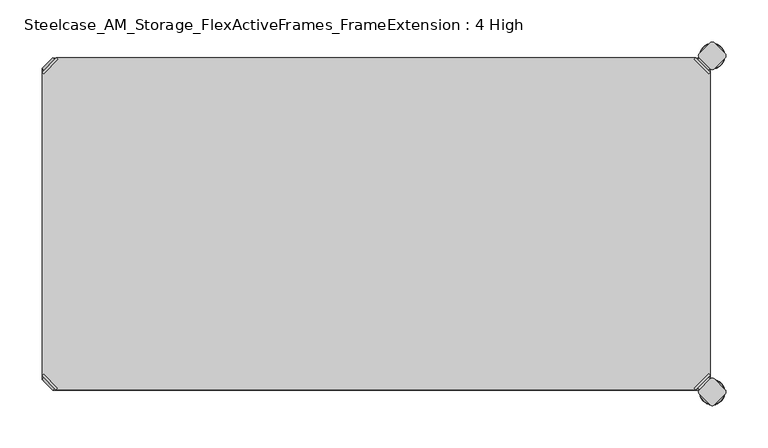
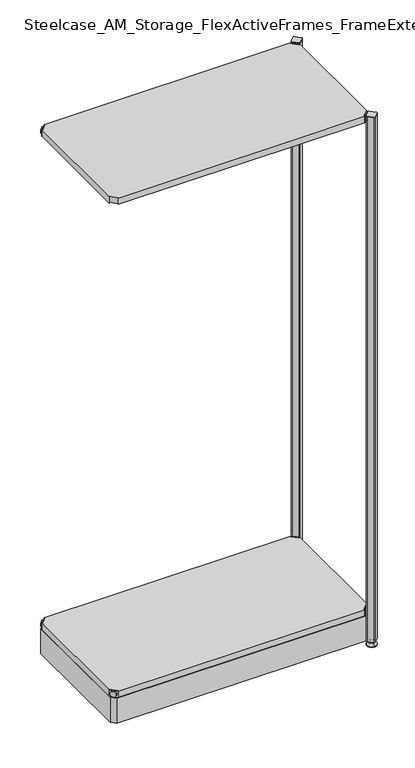
"""IFC4 building model written with IfcOpenShell, lengths in millimetres: furniture geometry, Steelcase_AM_Storage_FlexActiveFrames_FrameExtension : 4 High."""

from ifc_helpers import new_model, si_unit, point, frame, frame_2d, origin, place, context, project, spatial, polyline, circle_curve, ellipse_curve, trimmed, segment, composite_curve, outline, extrude, source, transform, mapped, element, save
from ifc_brep_helpers import plane_surface, cylinder_surface, revolved_surface, advanced_brep


def steelcase_am_storage_flexactiveframes_frameextension_4_high_b6f15f7e(model_context):
    return source(origin(), model_context, "Body", "SolidModel", [
        advanced_brep(
        [(797.56, -380.2870969, 1725.93), (795.7639488, -378.4910456, 1725.93), (778.5410456, -395.7139488, 1725.93), (780.3370969, -397.51, 1725.93), (780.3370969, -397.51, 1704.594), (797.56, -380.2870969, 1704.594), (795.2347277, -382.6123691, 1715.77), (782.6623691, -395.1847277, 1715.77), (769.8079478, -352.5350447, 1705.61), (752.5850447, -369.7579478, 1705.61), (778.5410456, -395.7139488, 1705.61), (795.7639488, -378.4910456, 1705.61), (769.8079478, -352.5350447, 1704.594), (752.5850447, -369.7579478, 1704.594), (784.9772487, -397.4996073, 1715.77), (797.5496073, -384.9272487, 1715.77)],
        [
            (0, 1),
            (1, 2),
            (2, 3),
            (3, 0),
            (3, 4),
            (4, 5),
            (5, 0),
            (6, 7, circle_curve(frame((788.9485484, -388.8985484, 1715.77), z_axis=(-0.7071067811865446, 0.7071067811865505, 0.0), x_axis=(0.7071067811865505, 0.7071067811865446, 0.0)), 8.89)),
            (7, 6, circle_curve(frame((788.9485484, -388.8985484, 1715.77), z_axis=(-0.7071067811865446, 0.7071067811865505, 0.0), x_axis=(0.7071067811865505, 0.7071067811865446, 0.0)), 8.89)),
            (8, 9, circle_curve(frame((761.1964963, -361.1464963, 1705.61), z_axis=(0.0, 0.0, 1.0), x_axis=(-1.0, 0.0, 0.0)), 12.1784316)),
            (9, 10),
            (10, 11),
            (11, 8),
            (12, 5),
            (4, 13),
            (13, 12, circle_curve(frame((761.1964963, -361.1464963, 1704.594), z_axis=(0.0, 0.0, -1.0), x_axis=(-1.0, 0.0, 0.0)), 12.1784316)),
            (14, 15, circle_curve(frame((791.263428, -391.213428, 1715.77), z_axis=(0.7071067811865446, -0.7071067811865505, 0.0), x_axis=(0.7071067811865505, 0.7071067811865446, 0.0)), 8.89)),
            (15, 14, circle_curve(frame((791.263428, -391.213428, 1715.77), z_axis=(0.7071067811865446, -0.7071067811865505, 0.0), x_axis=(0.7071067811865505, 0.7071067811865446, 0.0)), 8.89)),
            (14, 7),
            (6, 15),
            (1, 11),
            (10, 2),
            (8, 12),
            (13, 9),
        ],
        [
            plane_surface(frame((819.7579872, -402.485084, 1725.93), z_axis=(0.0, 0.0, 1.0000000000000002), x_axis=(-0.7071067811865436, 0.7071067811865516, 0.0))),
            plane_surface(frame((780.3370969, -397.51, 1725.93), z_axis=(0.7071067811865447, -0.7071067811865503, 0.0), x_axis=(0.0, 0.0, -1.0))),
            plane_surface(frame((749.0180647, -361.1464963, 1705.61), z_axis=(0.0, 0.0, 1.0), x_axis=(0.0, -1.0, 0.0))),
            plane_surface(frame((749.0180647, -361.1464963, 1704.594), z_axis=(0.0, 0.0, -1.0), x_axis=(0.0, 1.0, 0.0))),
            plane_surface(frame((797.5496073, -384.9272487, 1715.77), z_axis=(0.7071067811865446, -0.7071067811865505, 0.0), x_axis=(0.0, 0.0, 1.0))),
            cylinder_surface(frame((788.9485484, -388.8985484, 1715.77), z_axis=(0.7071067811865446, -0.7071067811865505, 0.0), x_axis=(0.7071067811865505, 0.7071067811865446, 0.0)), 8.89),
            plane_surface(frame((795.7639488, -378.4910456, 1725.93), z_axis=(-0.7071067811865447, 0.7071067811865503, 0.0), x_axis=(0.0, 0.0, -1.0))),
            cylinder_surface(frame((761.1964963, -361.1464963, 1704.594), z_axis=(0.0, 0.0, 1.0), x_axis=(-1.0, 0.0, 0.0)), 12.1784316),
            plane_surface(frame((797.56, -380.2870969, 1725.93), z_axis=(0.7071067811865516, 0.7071067811865436, 0.0), x_axis=(0.0, 0.0, -1.0))),
            plane_surface(frame((778.5410456, -395.7139488, 1725.93), z_axis=(-0.7071067811865513, -0.7071067811865437, 0.0), x_axis=(0.0, 0.0, -1.0))),
        ],
        [
            (0, [[1, 2, 3, 4]]),
            (1, [[-4, 5, 6, 7], [8, 9]]),
            (2, [[10, 11, 12, 13]]),
            (3, [[14, -6, 15, 16]]),
            (4, [[17, 18]]),
            (5, [[-17, 19, -8, 20]]),
            (5, [[-18, -20, -9, -19]]),
            (6, [[-2, 21, -12, 22]]),
            (7, [[-10, 23, -16, 24]]),
            (8, [[-1, -7, -14, -23, -13, -21]]),
            (9, [[-3, -22, -11, -24, -15, -5]]),
        ],
    ),
        advanced_brep(
        [(797.56, -19.7629031, 1725.93), (780.3370969, -2.54, 1725.93), (778.5410456, -4.3360512, 1725.93), (795.7639488, -21.5589544, 1725.93), (797.56, -19.7629031, 1704.594), (780.3370969, -2.54, 1704.594), (795.2347277, -17.4376309, 1715.77), (782.6623691, -4.8652723, 1715.77), (769.8079478, -47.5149553, 1705.61), (795.7639488, -21.5589544, 1705.61), (778.5410456, -4.3360512, 1705.61), (752.5850447, -30.2920522, 1705.61), (769.8079478, -47.5149553, 1704.594), (752.5850447, -30.2920522, 1704.594), (784.9772487, -2.5503927, 1715.77), (797.5496073, -15.1227513, 1715.77)],
        [
            (0, 1),
            (1, 2),
            (2, 3),
            (3, 0),
            (0, 4),
            (4, 5),
            (5, 1),
            (6, 7, circle_curve(frame((788.9485484, -11.1514516, 1715.77), z_axis=(-0.7071067811865469, -0.7071067811865481, 0.0), x_axis=(0.7071067811865481, -0.7071067811865469, 0.0)), 8.89)),
            (7, 6, circle_curve(frame((788.9485484, -11.1514516, 1715.77), z_axis=(-0.7071067811865469, -0.7071067811865481, 0.0), x_axis=(0.7071067811865481, -0.7071067811865469, 0.0)), 8.89)),
            (8, 9),
            (9, 10),
            (10, 11),
            (11, 8, circle_curve(frame((761.1964963, -38.9035037, 1705.61), z_axis=(0.0, 0.0, 1.0), x_axis=(-1.0, 0.0, 0.0)), 12.1784316)),
            (12, 13, circle_curve(frame((761.1964963, -38.9035037, 1704.594), z_axis=(0.0, 0.0, -1.0), x_axis=(-1.0, 0.0, 0.0)), 12.1784316)),
            (13, 5),
            (4, 12),
            (14, 15, circle_curve(frame((791.263428, -8.836572, 1715.77), z_axis=(0.7071067811865469, 0.7071067811865481, 0.0), x_axis=(0.7071067811865481, -0.7071067811865469, 0.0)), 8.89)),
            (15, 14, circle_curve(frame((791.263428, -8.836572, 1715.77), z_axis=(0.7071067811865469, 0.7071067811865481, 0.0), x_axis=(0.7071067811865481, -0.7071067811865469, 0.0)), 8.89)),
            (15, 6),
            (7, 14),
            (2, 10),
            (9, 3),
            (11, 13),
            (12, 8),
        ],
        [
            plane_surface(frame((819.7579872, 2.435084, 1725.93), z_axis=(0.0, 0.0, 1.0000000000000002), x_axis=(-0.7071067811865459, -0.7071067811865492, 0.0))),
            plane_surface(frame((780.3370969, -2.54, 1725.93), z_axis=(0.707106781186547, 0.707106781186548, 0.0), x_axis=(0.0, 0.0, -1.0))),
            plane_surface(frame((749.0180647, -38.9035037, 1705.61), z_axis=(0.0, 0.0, 1.0), x_axis=(0.0, 1.0, 0.0))),
            plane_surface(frame((749.0180647, -38.9035037, 1704.594), z_axis=(0.0, 0.0, -1.0), x_axis=(0.0, -1.0, 0.0))),
            plane_surface(frame((797.5496073, -15.1227513, 1715.77), z_axis=(0.7071067811865469, 0.7071067811865481, 0.0), x_axis=(0.0, 0.0, 1.0))),
            cylinder_surface(frame((788.9485484, -11.1514516, 1715.77), z_axis=(0.7071067811865469, 0.7071067811865481, 0.0), x_axis=(0.7071067811865481, -0.7071067811865469, 0.0)), 8.89),
            plane_surface(frame((795.7639488, -21.5589544, 1725.93), z_axis=(-0.707106781186547, -0.707106781186548, 0.0), x_axis=(0.0, 0.0, -1.0))),
            cylinder_surface(frame((761.1964963, -38.9035037, 1704.594), z_axis=(0.0, 0.0, 1.0), x_axis=(-1.0, 0.0, 0.0)), 12.1784316),
            plane_surface(frame((797.56, -19.7629031, 1725.93), z_axis=(0.7071067811865492, -0.7071067811865459, 0.0), x_axis=(0.0, 0.0, -1.0))),
            plane_surface(frame((778.5410456, -4.3360512, 1725.93), z_axis=(-0.707106781186549, 0.707106781186546, 0.0), x_axis=(0.0, 0.0, -1.0))),
        ],
        [
            (0, [[1, 2, 3, 4]]),
            (1, [[5, 6, 7, -1], [8, 9]]),
            (2, [[10, 11, 12, 13]]),
            (3, [[14, 15, -6, 16]]),
            (4, [[17, 18]]),
            (5, [[19, -9, 20, -18]]),
            (5, [[-20, -8, -19, -17]]),
            (6, [[21, -11, 22, -3]]),
            (7, [[23, -14, 24, -13]]),
            (8, [[-22, -10, -24, -16, -5, -4]]),
            (9, [[-7, -15, -23, -12, -21, -2]]),
        ],
    ),
        advanced_brep(
        [(2.54, -19.7629031, 1725.93), (4.3360512, -21.5589544, 1725.93), (21.5589544, -4.3360512, 1725.93), (19.7629031, -2.54, 1725.93), (19.7629031, -2.54, 1704.594), (2.54, -19.7629031, 1704.594), (4.8652723, -17.4376309, 1715.77), (17.4376309, -4.8652723, 1715.77), (30.2920522, -47.5149553, 1705.61), (47.5149553, -30.2920522, 1705.61), (21.5589544, -4.3360512, 1705.61), (4.3360512, -21.5589544, 1705.61), (30.2920522, -47.5149553, 1704.594), (47.5149553, -30.2920522, 1704.594), (15.1227513, -2.5503927, 1715.77), (2.5503927, -15.1227513, 1715.77)],
        [
            (0, 1),
            (1, 2),
            (2, 3),
            (3, 0),
            (3, 4),
            (4, 5),
            (5, 0),
            (6, 7, circle_curve(frame((11.1514516, -11.1514516, 1715.77), z_axis=(0.7071067811865469, -0.7071067811865481, 0.0), x_axis=(-0.7071067811865481, -0.7071067811865469, 0.0)), 8.89)),
            (7, 6, circle_curve(frame((11.1514516, -11.1514516, 1715.77), z_axis=(0.7071067811865469, -0.7071067811865481, 0.0), x_axis=(-0.7071067811865481, -0.7071067811865469, 0.0)), 8.89)),
            (8, 9, circle_curve(frame((38.9035037, -38.9035037, 1705.61), z_axis=(0.0, 0.0, 1.0), x_axis=(1.0, 0.0, 0.0)), 12.1784316)),
            (9, 10),
            (10, 11),
            (11, 8),
            (12, 5),
            (4, 13),
            (13, 12, circle_curve(frame((38.9035037, -38.9035037, 1704.594), z_axis=(0.0, 0.0, -1.0), x_axis=(1.0, 0.0, 0.0)), 12.1784316)),
            (14, 15, circle_curve(frame((8.836572, -8.836572, 1715.77), z_axis=(-0.7071067811865469, 0.7071067811865481, 0.0), x_axis=(-0.7071067811865481, -0.7071067811865469, 0.0)), 8.89)),
            (15, 14, circle_curve(frame((8.836572, -8.836572, 1715.77), z_axis=(-0.7071067811865469, 0.7071067811865481, 0.0), x_axis=(-0.7071067811865481, -0.7071067811865469, 0.0)), 8.89)),
            (14, 7),
            (6, 15),
            (1, 11),
            (10, 2),
            (8, 12),
            (13, 9),
        ],
        [
            plane_surface(frame((-19.6579872, 2.435084, 1725.93), z_axis=(0.0, 0.0, 1.0000000000000002), x_axis=(0.7071067811865459, -0.7071067811865492, 0.0))),
            plane_surface(frame((19.7629031, -2.54, 1725.93), z_axis=(-0.707106781186547, 0.707106781186548, 0.0), x_axis=(0.0, 0.0, -1.0))),
            plane_surface(frame((51.0819353, -38.9035037, 1705.61), z_axis=(0.0, 0.0, 1.0), x_axis=(0.0, 1.0, 0.0))),
            plane_surface(frame((51.0819353, -38.9035037, 1704.594), z_axis=(0.0, 0.0, -1.0), x_axis=(0.0, -1.0, 0.0))),
            plane_surface(frame((2.5503927, -15.1227513, 1715.77), z_axis=(-0.7071067811865469, 0.7071067811865481, 0.0), x_axis=(0.0, 0.0, 1.0))),
            cylinder_surface(frame((11.1514516, -11.1514516, 1715.77), z_axis=(-0.7071067811865469, 0.7071067811865481, 0.0), x_axis=(-0.7071067811865481, -0.7071067811865469, 0.0)), 8.89),
            plane_surface(frame((4.3360512, -21.5589544, 1725.93), z_axis=(0.707106781186547, -0.707106781186548, 0.0), x_axis=(0.0, 0.0, -1.0))),
            cylinder_surface(frame((38.9035037, -38.9035037, 1704.594), z_axis=(0.0, 0.0, 1.0), x_axis=(1.0, 0.0, 0.0)), 12.1784316),
            plane_surface(frame((2.54, -19.7629031, 1725.93), z_axis=(-0.7071067811865492, -0.7071067811865459, 0.0), x_axis=(0.0, 0.0, -1.0))),
            plane_surface(frame((21.5589544, -4.3360512, 1725.93), z_axis=(0.707106781186549, 0.707106781186546, 0.0), x_axis=(0.0, 0.0, -1.0))),
        ],
        [
            (0, [[1, 2, 3, 4]]),
            (1, [[-4, 5, 6, 7], [8, 9]]),
            (2, [[10, 11, 12, 13]]),
            (3, [[14, -6, 15, 16]]),
            (4, [[17, 18]]),
            (5, [[-17, 19, -8, 20]]),
            (5, [[-18, -20, -9, -19]]),
            (6, [[-2, 21, -12, 22]]),
            (7, [[-10, 23, -16, 24]]),
            (8, [[-1, -7, -14, -23, -13, -21]]),
            (9, [[-3, -22, -11, -24, -15, -5]]),
        ],
    ),
        extrude(outline(polyline([(19.7629031, -2.54), (780.3370969, -2.54), (778.5410456, -4.3360512), (795.7639488, -21.5589544), (797.56, -19.7629031), (797.56, -380.2870969), (795.7639488, -378.4910456), (778.5410456, -395.7139488), (780.3370969, -397.51), (19.7629031, -397.51), (21.5589544, -395.7139488), (4.3360512, -378.4910456), (2.54, -380.2870969), (2.54, -19.7629031), (4.3360512, -21.5589544), (21.5589544, -4.3360512), (19.7629031, -2.54)])), frame((0.0, 0.0, 1705.61), z_axis=(0.0, 0.0, 1.0), x_axis=(1.0, 0.0, 0.0)), (0.0, 0.0, 1.0), 20.32),
        advanced_brep(
        [(2.54, -380.2870969, 118.9736), (19.7629031, -397.51, 118.9736), (21.5589544, -395.7139488, 118.9736), (4.3360512, -378.4910456, 118.9736), (2.54, -380.2870969, 97.6376), (19.7629031, -397.51, 97.6376), (4.8652723, -382.6123691, 108.8136), (17.4376309, -395.1847277, 108.8136), (30.2920522, -352.5350447, 98.6536), (4.3360512, -378.4910456, 98.6536), (21.5589544, -395.7139488, 98.6536), (47.5149553, -369.7579478, 98.6536), (30.2920522, -352.5350447, 97.6376), (47.5149553, -369.7579478, 97.6376), (15.1227513, -397.4996073, 108.8136), (2.5503927, -384.9272487, 108.8136)],
        [
            (0, 1),
            (1, 2),
            (2, 3),
            (3, 0),
            (0, 4),
            (4, 5),
            (5, 1),
            (6, 7, circle_curve(frame((11.1514516, -388.8985484, 108.8136), z_axis=(0.7071067811865446, 0.7071067811865505, 0.0), x_axis=(-0.7071067811865505, 0.7071067811865446, 0.0)), 8.89)),
            (7, 6, circle_curve(frame((11.1514516, -388.8985484, 108.8136), z_axis=(0.7071067811865446, 0.7071067811865505, 0.0), x_axis=(-0.7071067811865505, 0.7071067811865446, 0.0)), 8.89)),
            (8, 9),
            (9, 10),
            (10, 11),
            (11, 8, circle_curve(frame((38.9035037, -361.1464963, 98.6536), z_axis=(0.0, 0.0, 1.0), x_axis=(1.0, 0.0, 0.0)), 12.1784316)),
            (12, 13, circle_curve(frame((38.9035037, -361.1464963, 97.6376), z_axis=(0.0, 0.0, -1.0), x_axis=(1.0, 0.0, 0.0)), 12.1784316)),
            (13, 5),
            (4, 12),
            (14, 15, circle_curve(frame((8.836572, -391.213428, 108.8136), z_axis=(-0.7071067811865446, -0.7071067811865505, 0.0), x_axis=(-0.7071067811865505, 0.7071067811865446, 0.0)), 8.89)),
            (15, 14, circle_curve(frame((8.836572, -391.213428, 108.8136), z_axis=(-0.7071067811865446, -0.7071067811865505, 0.0), x_axis=(-0.7071067811865505, 0.7071067811865446, 0.0)), 8.89)),
            (15, 6),
            (7, 14),
            (2, 10),
            (9, 3),
            (11, 13),
            (12, 8),
        ],
        [
            plane_surface(frame((-19.6579872, -402.485084, 118.9736), z_axis=(0.0, 0.0, 1.0000000000000002), x_axis=(0.7071067811865436, 0.7071067811865516, 0.0))),
            plane_surface(frame((19.7629031, -397.51, 118.9736), z_axis=(-0.7071067811865447, -0.7071067811865503, 0.0), x_axis=(0.0, 0.0, -1.0))),
            plane_surface(frame((51.0819353, -361.1464963, 98.6536), z_axis=(0.0, 0.0, 1.0), x_axis=(0.0, -1.0, 0.0))),
            plane_surface(frame((51.0819353, -361.1464963, 97.6376), z_axis=(0.0, 0.0, -1.0), x_axis=(0.0, 1.0, 0.0))),
            plane_surface(frame((2.5503927, -384.9272487, 108.8136), z_axis=(-0.7071067811865446, -0.7071067811865505, 0.0), x_axis=(0.0, 0.0, 1.0))),
            cylinder_surface(frame((11.1514516, -388.8985484, 108.8136), z_axis=(-0.7071067811865446, -0.7071067811865505, 0.0), x_axis=(-0.7071067811865505, 0.7071067811865446, 0.0)), 8.89),
            plane_surface(frame((4.3360512, -378.4910456, 118.9736), z_axis=(0.7071067811865447, 0.7071067811865503, 0.0), x_axis=(0.0, 0.0, -1.0))),
            cylinder_surface(frame((38.9035037, -361.1464963, 97.6376), z_axis=(0.0, 0.0, 1.0), x_axis=(1.0, 0.0, 0.0)), 12.1784316),
            plane_surface(frame((2.54, -380.2870969, 118.9736), z_axis=(-0.7071067811865516, 0.7071067811865436, 0.0), x_axis=(0.0, 0.0, -1.0))),
            plane_surface(frame((21.5589544, -395.7139488, 118.9736), z_axis=(0.7071067811865513, -0.7071067811865437, 0.0), x_axis=(0.0, 0.0, -1.0))),
        ],
        [
            (0, [[1, 2, 3, 4]]),
            (1, [[5, 6, 7, -1], [8, 9]]),
            (2, [[10, 11, 12, 13]]),
            (3, [[14, 15, -6, 16]]),
            (4, [[17, 18]]),
            (5, [[19, -9, 20, -18]]),
            (5, [[-20, -8, -19, -17]]),
            (6, [[21, -11, 22, -3]]),
            (7, [[23, -14, 24, -13]]),
            (8, [[-22, -10, -24, -16, -5, -4]]),
            (9, [[-7, -15, -23, -12, -21, -2]]),
        ],
    ),
        advanced_brep(
        [(797.56, -380.2870969, 118.9736), (795.7639488, -378.4910456, 118.9736), (778.5410456, -395.7139488, 118.9736), (780.3370969, -397.51, 118.9736), (780.3370969, -397.51, 97.6376), (797.56, -380.2870969, 97.6376), (795.2347277, -382.6123691, 108.8136), (782.6623691, -395.1847277, 108.8136), (769.8079478, -352.5350447, 98.6536), (752.5850447, -369.7579478, 98.6536), (778.5410456, -395.7139488, 98.6536), (795.7639488, -378.4910456, 98.6536), (769.8079478, -352.5350447, 97.6376), (752.5850447, -369.7579478, 97.6376), (784.9772487, -397.4996073, 108.8136), (797.5496073, -384.9272487, 108.8136)],
        [
            (0, 1),
            (1, 2),
            (2, 3),
            (3, 0),
            (3, 4),
            (4, 5),
            (5, 0),
            (6, 7, circle_curve(frame((788.9485484, -388.8985484, 108.8136), z_axis=(-0.7071067811865446, 0.7071067811865505, 0.0), x_axis=(0.7071067811865505, 0.7071067811865446, 0.0)), 8.89)),
            (7, 6, circle_curve(frame((788.9485484, -388.8985484, 108.8136), z_axis=(-0.7071067811865446, 0.7071067811865505, 0.0), x_axis=(0.7071067811865505, 0.7071067811865446, 0.0)), 8.89)),
            (8, 9, circle_curve(frame((761.1964963, -361.1464963, 98.6536), z_axis=(0.0, 0.0, 1.0), x_axis=(-1.0, 0.0, 0.0)), 12.1784316)),
            (9, 10),
            (10, 11),
            (11, 8),
            (12, 5),
            (4, 13),
            (13, 12, circle_curve(frame((761.1964963, -361.1464963, 97.6376), z_axis=(0.0, 0.0, -1.0), x_axis=(-1.0, 0.0, 0.0)), 12.1784316)),
            (14, 15, circle_curve(frame((791.263428, -391.213428, 108.8136), z_axis=(0.7071067811865446, -0.7071067811865505, 0.0), x_axis=(0.7071067811865505, 0.7071067811865446, 0.0)), 8.89)),
            (15, 14, circle_curve(frame((791.263428, -391.213428, 108.8136), z_axis=(0.7071067811865446, -0.7071067811865505, 0.0), x_axis=(0.7071067811865505, 0.7071067811865446, 0.0)), 8.89)),
            (14, 7),
            (6, 15),
            (1, 11),
            (10, 2),
            (8, 12),
            (13, 9),
        ],
        [
            plane_surface(frame((819.7579872, -402.485084, 118.9736), z_axis=(0.0, 0.0, 1.0000000000000002), x_axis=(-0.7071067811865436, 0.7071067811865516, 0.0))),
            plane_surface(frame((780.3370969, -397.51, 118.9736), z_axis=(0.7071067811865447, -0.7071067811865503, 0.0), x_axis=(0.0, 0.0, -1.0))),
            plane_surface(frame((749.0180647, -361.1464963, 98.6536), z_axis=(0.0, 0.0, 1.0), x_axis=(0.0, -1.0, 0.0))),
            plane_surface(frame((749.0180647, -361.1464963, 97.6376), z_axis=(0.0, 0.0, -1.0), x_axis=(0.0, 1.0, 0.0))),
            plane_surface(frame((797.5496073, -384.9272487, 108.8136), z_axis=(0.7071067811865446, -0.7071067811865505, 0.0), x_axis=(0.0, 0.0, 1.0))),
            cylinder_surface(frame((788.9485484, -388.8985484, 108.8136), z_axis=(0.7071067811865446, -0.7071067811865505, 0.0), x_axis=(0.7071067811865505, 0.7071067811865446, 0.0)), 8.89),
            plane_surface(frame((795.7639488, -378.4910456, 118.9736), z_axis=(-0.7071067811865447, 0.7071067811865503, 0.0), x_axis=(0.0, 0.0, -1.0))),
            cylinder_surface(frame((761.1964963, -361.1464963, 97.6376), z_axis=(0.0, 0.0, 1.0), x_axis=(-1.0, 0.0, 0.0)), 12.1784316),
            plane_surface(frame((797.56, -380.2870969, 118.9736), z_axis=(0.7071067811865516, 0.7071067811865436, 0.0), x_axis=(0.0, 0.0, -1.0))),
            plane_surface(frame((778.5410456, -395.7139488, 118.9736), z_axis=(-0.7071067811865513, -0.7071067811865437, 0.0), x_axis=(0.0, 0.0, -1.0))),
        ],
        [
            (0, [[1, 2, 3, 4]]),
            (1, [[-4, 5, 6, 7], [8, 9]]),
            (2, [[10, 11, 12, 13]]),
            (3, [[14, -6, 15, 16]]),
            (4, [[17, 18]]),
            (5, [[-17, 19, -8, 20]]),
            (5, [[-18, -20, -9, -19]]),
            (6, [[-2, 21, -12, 22]]),
            (7, [[-10, 23, -16, 24]]),
            (8, [[-1, -7, -14, -23, -13, -21]]),
            (9, [[-3, -22, -11, -24, -15, -5]]),
        ],
    ),
        advanced_brep(
        [(797.56, -19.7629031, 118.9736), (780.3370969, -2.54, 118.9736), (778.5410456, -4.3360512, 118.9736), (795.7639488, -21.5589544, 118.9736), (797.56, -19.7629031, 97.6376), (780.3370969, -2.54, 97.6376), (795.2347277, -17.4376309, 108.8136), (782.6623691, -4.8652723, 108.8136), (769.8079478, -47.5149553, 98.6536), (795.7639488, -21.5589544, 98.6536), (778.5410456, -4.3360512, 98.6536), (752.5850447, -30.2920522, 98.6536), (769.8079478, -47.5149553, 97.6376), (752.5850447, -30.2920522, 97.6376), (784.9772487, -2.5503927, 108.8136), (797.5496073, -15.1227513, 108.8136)],
        [
            (0, 1),
            (1, 2),
            (2, 3),
            (3, 0),
            (0, 4),
            (4, 5),
            (5, 1),
            (6, 7, circle_curve(frame((788.9485484, -11.1514516, 108.8136), z_axis=(-0.7071067811865469, -0.7071067811865481, 0.0), x_axis=(0.7071067811865481, -0.7071067811865469, 0.0)), 8.89)),
            (7, 6, circle_curve(frame((788.9485484, -11.1514516, 108.8136), z_axis=(-0.7071067811865469, -0.7071067811865481, 0.0), x_axis=(0.7071067811865481, -0.7071067811865469, 0.0)), 8.89)),
            (8, 9),
            (9, 10),
            (10, 11),
            (11, 8, circle_curve(frame((761.1964963, -38.9035037, 98.6536), z_axis=(0.0, 0.0, 1.0), x_axis=(-1.0, 0.0, 0.0)), 12.1784316)),
            (12, 13, circle_curve(frame((761.1964963, -38.9035037, 97.6376), z_axis=(0.0, 0.0, -1.0), x_axis=(-1.0, 0.0, 0.0)), 12.1784316)),
            (13, 5),
            (4, 12),
            (14, 15, circle_curve(frame((791.263428, -8.836572, 108.8136), z_axis=(0.7071067811865469, 0.7071067811865481, 0.0), x_axis=(0.7071067811865481, -0.7071067811865469, 0.0)), 8.89)),
            (15, 14, circle_curve(frame((791.263428, -8.836572, 108.8136), z_axis=(0.7071067811865469, 0.7071067811865481, 0.0), x_axis=(0.7071067811865481, -0.7071067811865469, 0.0)), 8.89)),
            (15, 6),
            (7, 14),
            (2, 10),
            (9, 3),
            (11, 13),
            (12, 8),
        ],
        [
            plane_surface(frame((819.7579872, 2.435084, 118.9736), z_axis=(0.0, 0.0, 1.0000000000000002), x_axis=(-0.7071067811865459, -0.7071067811865492, 0.0))),
            plane_surface(frame((780.3370969, -2.54, 118.9736), z_axis=(0.707106781186547, 0.707106781186548, 0.0), x_axis=(0.0, 0.0, -1.0))),
            plane_surface(frame((749.0180647, -38.9035037, 98.6536), z_axis=(0.0, 0.0, 1.0), x_axis=(0.0, 1.0, 0.0))),
            plane_surface(frame((749.0180647, -38.9035037, 97.6376), z_axis=(0.0, 0.0, -1.0), x_axis=(0.0, -1.0, 0.0))),
            plane_surface(frame((797.5496073, -15.1227513, 108.8136), z_axis=(0.7071067811865469, 0.7071067811865481, 0.0), x_axis=(0.0, 0.0, 1.0))),
            cylinder_surface(frame((788.9485484, -11.1514516, 108.8136), z_axis=(0.7071067811865469, 0.7071067811865481, 0.0), x_axis=(0.7071067811865481, -0.7071067811865469, 0.0)), 8.89),
            plane_surface(frame((795.7639488, -21.5589544, 118.9736), z_axis=(-0.707106781186547, -0.707106781186548, 0.0), x_axis=(0.0, 0.0, -1.0))),
            cylinder_surface(frame((761.1964963, -38.9035037, 97.6376), z_axis=(0.0, 0.0, 1.0), x_axis=(-1.0, 0.0, 0.0)), 12.1784316),
            plane_surface(frame((797.56, -19.7629031, 118.9736), z_axis=(0.7071067811865492, -0.7071067811865459, 0.0), x_axis=(0.0, 0.0, -1.0))),
            plane_surface(frame((778.5410456, -4.3360512, 118.9736), z_axis=(-0.707106781186549, 0.707106781186546, 0.0), x_axis=(0.0, 0.0, -1.0))),
        ],
        [
            (0, [[1, 2, 3, 4]]),
            (1, [[5, 6, 7, -1], [8, 9]]),
            (2, [[10, 11, 12, 13]]),
            (3, [[14, 15, -6, 16]]),
            (4, [[17, 18]]),
            (5, [[19, -9, 20, -18]]),
            (5, [[-20, -8, -19, -17]]),
            (6, [[21, -11, 22, -3]]),
            (7, [[23, -14, 24, -13]]),
            (8, [[-22, -10, -24, -16, -5, -4]]),
            (9, [[-7, -15, -23, -12, -21, -2]]),
        ],
    ),
        advanced_brep(
        [(2.54, -19.7629031, 118.9736), (4.3360512, -21.5589544, 118.9736), (21.5589544, -4.3360512, 118.9736), (19.7629031, -2.54, 118.9736), (19.7629031, -2.54, 97.6376), (2.54, -19.7629031, 97.6376), (4.8652723, -17.4376309, 108.8136), (17.4376309, -4.8652723, 108.8136), (30.2920522, -47.5149553, 98.6536), (47.5149553, -30.2920522, 98.6536), (21.5589544, -4.3360512, 98.6536), (4.3360512, -21.5589544, 98.6536), (30.2920522, -47.5149553, 97.6376), (47.5149553, -30.2920522, 97.6376), (15.1227513, -2.5503927, 108.8136), (2.5503927, -15.1227513, 108.8136)],
        [
            (0, 1),
            (1, 2),
            (2, 3),
            (3, 0),
            (3, 4),
            (4, 5),
            (5, 0),
            (6, 7, circle_curve(frame((11.1514516, -11.1514516, 108.8136), z_axis=(0.7071067811865469, -0.7071067811865481, 0.0), x_axis=(-0.7071067811865481, -0.7071067811865469, 0.0)), 8.89)),
            (7, 6, circle_curve(frame((11.1514516, -11.1514516, 108.8136), z_axis=(0.7071067811865469, -0.7071067811865481, 0.0), x_axis=(-0.7071067811865481, -0.7071067811865469, 0.0)), 8.89)),
            (8, 9, circle_curve(frame((38.9035037, -38.9035037, 98.6536), z_axis=(0.0, 0.0, 1.0), x_axis=(1.0, 0.0, 0.0)), 12.1784316)),
            (9, 10),
            (10, 11),
            (11, 8),
            (12, 5),
            (4, 13),
            (13, 12, circle_curve(frame((38.9035037, -38.9035037, 97.6376), z_axis=(0.0, 0.0, -1.0), x_axis=(1.0, 0.0, 0.0)), 12.1784316)),
            (14, 15, circle_curve(frame((8.836572, -8.836572, 108.8136), z_axis=(-0.7071067811865469, 0.7071067811865481, 0.0), x_axis=(-0.7071067811865481, -0.7071067811865469, 0.0)), 8.89)),
            (15, 14, circle_curve(frame((8.836572, -8.836572, 108.8136), z_axis=(-0.7071067811865469, 0.7071067811865481, 0.0), x_axis=(-0.7071067811865481, -0.7071067811865469, 0.0)), 8.89)),
            (14, 7),
            (6, 15),
            (1, 11),
            (10, 2),
            (8, 12),
            (13, 9),
        ],
        [
            plane_surface(frame((-19.6579872, 2.435084, 118.9736), z_axis=(0.0, 0.0, 1.0000000000000002), x_axis=(0.7071067811865459, -0.7071067811865492, 0.0))),
            plane_surface(frame((19.7629031, -2.54, 118.9736), z_axis=(-0.707106781186547, 0.707106781186548, 0.0), x_axis=(0.0, 0.0, -1.0))),
            plane_surface(frame((51.0819353, -38.9035037, 98.6536), z_axis=(0.0, 0.0, 1.0), x_axis=(0.0, 1.0, 0.0))),
            plane_surface(frame((51.0819353, -38.9035037, 97.6376), z_axis=(0.0, 0.0, -1.0), x_axis=(0.0, -1.0, 0.0))),
            plane_surface(frame((2.5503927, -15.1227513, 108.8136), z_axis=(-0.7071067811865469, 0.7071067811865481, 0.0), x_axis=(0.0, 0.0, 1.0))),
            cylinder_surface(frame((11.1514516, -11.1514516, 108.8136), z_axis=(-0.7071067811865469, 0.7071067811865481, 0.0), x_axis=(-0.7071067811865481, -0.7071067811865469, 0.0)), 8.89),
            plane_surface(frame((4.3360512, -21.5589544, 118.9736), z_axis=(0.707106781186547, -0.707106781186548, 0.0), x_axis=(0.0, 0.0, -1.0))),
            cylinder_surface(frame((38.9035037, -38.9035037, 97.6376), z_axis=(0.0, 0.0, 1.0), x_axis=(1.0, 0.0, 0.0)), 12.1784316),
            plane_surface(frame((2.54, -19.7629031, 118.9736), z_axis=(-0.7071067811865492, -0.7071067811865459, 0.0), x_axis=(0.0, 0.0, -1.0))),
            plane_surface(frame((21.5589544, -4.3360512, 118.9736), z_axis=(0.707106781186549, 0.707106781186546, 0.0), x_axis=(0.0, 0.0, -1.0))),
        ],
        [
            (0, [[1, 2, 3, 4]]),
            (1, [[-4, 5, 6, 7], [8, 9]]),
            (2, [[10, 11, 12, 13]]),
            (3, [[14, -6, 15, 16]]),
            (4, [[17, 18]]),
            (5, [[-17, 19, -8, 20]]),
            (5, [[-18, -20, -9, -19]]),
            (6, [[-2, 21, -12, 22]]),
            (7, [[-10, 23, -16, 24]]),
            (8, [[-1, -7, -14, -23, -13, -21]]),
            (9, [[-3, -22, -11, -24, -15, -5]]),
        ],
    ),
        extrude(outline(polyline([(19.7629031, -2.54), (780.3370969, -2.54), (778.5410456, -4.3360512), (795.7639488, -21.5589544), (797.56, -19.7629031), (797.56, -380.2870969), (795.7639488, -378.4910456), (778.5410456, -395.7139488), (780.3370969, -397.51), (19.7629031, -397.51), (21.5589544, -395.7139488), (4.3360512, -378.4910456), (2.54, -380.2870969), (2.54, -19.7629031), (4.3360512, -21.5589544), (21.5589544, -4.3360512), (19.7629031, -2.54)])), frame((0.0, 0.0, 98.6536), z_axis=(0.0, 0.0, 1.0), x_axis=(1.0, 0.0, 0.0)), (0.0, 0.0, 1.0), 20.32),
        extrude(outline(composite_curve([segment(trimmed(circle_curve(frame_2d((800.1, -13.1875415)), 3.175), [point((802.345064, -15.4326055))], [point((797.854936, -15.4326055))], False, "CARTESIAN"), True, "CONTINUOUS"), segment(polyline([(797.854936, -15.4326055), (784.6673945, -2.245064)]), True, "CONTINUOUS"), segment(trimmed(circle_curve(frame_2d((786.9124585, 0.0)), 3.175), [point((784.6673945, -2.245064))], [point((784.6673945, 2.245064))], False, "CARTESIAN"), True, "CONTINUOUS"), segment(polyline([(784.6673945, 2.245064), (797.854936, 15.4326055)]), True, "CONTINUOUS"), segment(trimmed(circle_curve(frame_2d((800.1, 13.1875415)), 3.175), [point((797.854936, 15.4326055))], [point((802.345064, 15.4326055))], False, "CARTESIAN"), True, "CONTINUOUS"), segment(polyline([(802.345064, 15.4326055), (815.5326055, 2.245064)]), True, "CONTINUOUS"), segment(trimmed(circle_curve(frame_2d((813.2875415, 0.0)), 3.175), [point((815.5326055, 2.245064))], [point((815.5326055, -2.245064))], False, "CARTESIAN"), True, "CONTINUOUS"), segment(polyline([(815.5326055, -2.245064), (802.345064, -15.4326055)]), True, "CONTINUOUS")], self_intersect=False)), frame((0.0, 0.0, 1725.93), z_axis=(0.0, 0.0, 1.0), x_axis=(1.0, 0.0, 0.0)), (0.0, 0.0, 1.0), 2.032),
        extrude(outline(composite_curve([segment(polyline([(802.345064, -384.6173945), (815.5326055, -397.804936)]), True, "CONTINUOUS"), segment(trimmed(circle_curve(frame_2d((813.2875415, -400.05)), 3.175), [point((815.5326055, -397.804936))], [point((815.5326055, -402.295064))], False, "CARTESIAN"), True, "CONTINUOUS"), segment(polyline([(815.5326055, -402.295064), (802.345064, -415.4826055)]), True, "CONTINUOUS"), segment(trimmed(circle_curve(frame_2d((800.1, -413.2375415)), 3.175), [point((802.345064, -415.4826055))], [point((797.854936, -415.4826055))], False, "CARTESIAN"), True, "CONTINUOUS"), segment(polyline([(797.854936, -415.4826055), (784.6673945, -402.295064)]), True, "CONTINUOUS"), segment(trimmed(circle_curve(frame_2d((786.9124585, -400.05)), 3.175), [point((784.6673945, -402.295064))], [point((784.6673945, -397.804936))], False, "CARTESIAN"), True, "CONTINUOUS"), segment(polyline([(784.6673945, -397.804936), (797.854936, -384.6173945)]), True, "CONTINUOUS"), segment(trimmed(circle_curve(frame_2d((800.1, -386.8624585)), 3.175), [point((797.854936, -384.6173945))], [point((802.345064, -384.6173945))], False, "CARTESIAN"), True, "CONTINUOUS")], self_intersect=False)), frame((0.0, 0.0, 1725.93), z_axis=(0.0, 0.0, 1.0), x_axis=(1.0, 0.0, 0.0)), (0.0, 0.0, 1.0), 2.032),
        extrude(outline(polyline([(2.54, -384.9123305), (2.54, -15.1376695), (15.1376695, -2.54), (784.9623305, -2.54), (797.56, -15.1376695), (797.56, -384.9123305), (784.9623305, -397.51), (15.1376695, -397.51), (2.54, -384.9123305)]), holes=[polyline([(12.7, -15.748), (12.7, -387.35), (787.4, -387.35), (787.4, -15.748), (12.7, -15.748)])]), frame((0.0, 0.0, 15.9766), z_axis=(0.0, 0.0, 1.0), x_axis=(1.0, 0.0, 0.0)), (0.0, 0.0, 1.0), 81.28),
        advanced_brep(
        [(800.1, 3.999659, 15.9766), (800.1, -3.999659, 15.9766), (800.1, 0.0, 15.9766), (800.1, 3.999659, 12.6000054), (800.1, -3.999659, 12.6000054), (800.1, 5.8601455, 12.6000054), (800.1, -5.8601455, 12.6000054), (800.1, 6.4951462, 11.9650074), (800.1, -6.4951462, 11.9650074), (800.1, 6.4951462, 9.0000124), (800.1, -6.4951462, 9.0000124), (800.1, 8.7421976, 9.0000124), (800.1, -8.7421976, 9.0000124), (800.1, 14.7060077, 2.3275608), (800.1, -14.7060077, 2.3275608), (800.1, 13.664601, 0.0), (800.1, -13.664601, 0.0), (800.1, 0.0, 0.0)],
        [
            (0, 1, circle_curve(frame((800.1, 0.0, 15.9766), z_axis=(0.0, 0.0, 1.0), x_axis=(0.0, -1.0, 0.0)), 3.999659)),
            (1, 2),
            (2, 0),
            (1, 0, circle_curve(frame((800.1, 0.0, 15.9766), z_axis=(0.0, 0.0, 1.0), x_axis=(0.0, -1.0, 0.0)), 3.999659)),
            (3, 4, circle_curve(frame((800.1, 0.0, 12.6000054), z_axis=(0.0, 0.0, 1.0), x_axis=(0.0, -1.0, 0.0)), 3.999659)),
            (4, 1),
            (0, 3),
            (4, 3, circle_curve(frame((800.1, 0.0, 12.6000054), z_axis=(0.0, 0.0, 1.0), x_axis=(0.0, -1.0, 0.0)), 3.999659)),
            (5, 6, circle_curve(frame((800.1, 0.0, 12.6000054), z_axis=(0.0, 0.0, 1.0), x_axis=(0.0, -1.0, 0.0)), 5.8601455)),
            (6, 4),
            (3, 5),
            (6, 5, circle_curve(frame((800.1, 0.0, 12.6000054), z_axis=(0.0, 0.0, 1.0), x_axis=(0.0, -1.0, 0.0)), 5.8601455)),
            (7, 8, circle_curve(frame((800.1, 0.0, 11.9650074), z_axis=(0.0, 0.0, 1.0), x_axis=(0.0, -1.0, 0.0)), 6.4951462)),
            (8, 6, circle_curve(frame((800.1, -5.8601462, 11.9650074), z_axis=(-1.0, 0.0, 0.0), x_axis=(0.0, -1.0, 0.0)), 0.635)),
            (5, 7, circle_curve(frame((800.1, 5.8601462, 11.9650074), z_axis=(-1.0, 0.0, 0.0), x_axis=(0.0, 1.0, 0.0)), 0.635)),
            (8, 7, circle_curve(frame((800.1, 0.0, 11.9650074), z_axis=(0.0, 0.0, 1.0), x_axis=(0.0, -1.0, 0.0)), 6.4951462)),
            (9, 10, circle_curve(frame((800.1, 0.0, 9.0000124), z_axis=(0.0, 0.0, 1.0), x_axis=(0.0, -1.0, 0.0)), 6.4951462)),
            (10, 8),
            (7, 9),
            (10, 9, circle_curve(frame((800.1, 0.0, 9.0000124), z_axis=(0.0, 0.0, 1.0), x_axis=(0.0, -1.0, 0.0)), 6.4951462)),
            (11, 12, circle_curve(frame((800.1, 0.0, 9.0000124), z_axis=(0.0, 0.0, 1.0), x_axis=(0.0, -1.0, 0.0)), 8.7421976)),
            (12, 10),
            (9, 11),
            (12, 11, circle_curve(frame((800.1, 0.0, 9.0000124), z_axis=(0.0, 0.0, 1.0), x_axis=(0.0, -1.0, 0.0)), 8.7421976)),
            (13, 14, circle_curve(frame((800.1, 0.0, 2.3275608), z_axis=(0.0, 0.0, 1.0), x_axis=(0.0, -1.0, 0.0)), 14.7060077)),
            (14, 12),
            (11, 13),
            (14, 13, circle_curve(frame((800.1, 0.0, 2.3275608), z_axis=(0.0, 0.0, 1.0), x_axis=(0.0, -1.0, 0.0)), 14.7060077)),
            (15, 16, circle_curve(frame((800.1, 0.0, 0.0), z_axis=(0.0, 0.0, 1.0), x_axis=(0.0, -1.0, 0.0)), 13.664601)),
            (16, 14, circle_curve(frame((800.1, -13.664601, 1.3967556), z_axis=(-1.0, 0.0, 0.0), x_axis=(0.0, -1.0, 0.0)), 1.3967556)),
            (13, 15, circle_curve(frame((800.1, 13.664601, 1.3967556), z_axis=(-1.0, 0.0, 0.0), x_axis=(0.0, 1.0, 0.0)), 1.3967556)),
            (16, 15, circle_curve(frame((800.1, 0.0, 0.0), z_axis=(0.0, 0.0, 1.0), x_axis=(0.0, -1.0, 0.0)), 13.664601)),
            (17, 16),
            (15, 17),
        ],
        [
            plane_surface(frame((800.1, 0.0, 15.9766), z_axis=(0.0, 0.0, 1.0), x_axis=(0.0, -1.0, 0.0))),
            cylinder_surface(frame((800.1, 0.0, -4.132372), z_axis=(0.0, 0.0, -1.0), x_axis=(0.0, -1.0, 0.0)), 3.999659),
            plane_surface(frame((800.1, 0.0, 12.6000054), z_axis=(0.0, 0.0, 1.0), x_axis=(0.0, -1.0, 0.0))),
            revolved_surface(trimmed(ellipse_curve(frame((800.1, -5.8601462, 11.9650074), z_axis=(1.0, 0.0, 0.0), x_axis=(0.0, -1.0, 0.0)), 0.635, 0.635), [point((800.1, -5.8601455, 12.6000074))], [point((800.1, -6.4951462, 11.9650074))], True, "CARTESIAN"), (800.1, 0.0, -4.132372), (0.0, 0.0, -1.0)),
            cylinder_surface(frame((800.1, 0.0, -4.132372), z_axis=(0.0, 0.0, -1.0), x_axis=(0.0, -1.0, 0.0)), 6.4951462),
            plane_surface(frame((800.1, 0.0, 9.0000124), z_axis=(0.0, 0.0, 1.0), x_axis=(0.0, -1.0, 0.0))),
            revolved_surface(polyline([(800.1, -8.7421976, 9.0000124), (800.1, -14.7060077, 2.3275608)]), (800.1, 0.0, -4.132372), (0.0, 0.0, -1.0)),
            revolved_surface(trimmed(ellipse_curve(frame((800.1, -13.664601, 1.3967556), z_axis=(1.0, 0.0, 0.0), x_axis=(0.0, -1.0, 0.0)), 1.3967556, 1.3967556), [point((800.1, -14.7060077, 2.3275608))], [point((800.1, -13.664601, 0.0))], True, "CARTESIAN"), (800.1, 0.0, -4.132372), (0.0, 0.0, -1.0)),
            plane_surface(frame((800.1, 0.0, 0.0), z_axis=(0.0, 0.0, -1.0), x_axis=(0.0, -1.0, 0.0))),
        ],
        [
            (0, [[1, 2, 3]]),
            (0, [[4, -3, -2]]),
            (1, [[5, 6, -1, 7]]),
            (1, [[8, -7, -4, -6]]),
            (2, [[9, 10, -5, 11]]),
            (2, [[12, -11, -8, -10]]),
            (3, [[13, 14, -9, 15]]),
            (3, [[16, -15, -12, -14]]),
            (4, [[17, 18, -13, 19]]),
            (4, [[20, -19, -16, -18]]),
            (5, [[21, 22, -17, 23]]),
            (5, [[24, -23, -20, -22]]),
            (6, [[25, 26, -21, 27]]),
            (6, [[28, -27, -24, -26]]),
            (7, [[29, 30, -25, 31]]),
            (7, [[32, -31, -28, -30]]),
            (8, [[33, -29, 34]]),
            (8, [[-34, -32, -33]]),
        ],
    ),
        advanced_brep(
        [(800.1, -400.05, 15.9766), (800.1, -396.050341, 15.9766), (800.1, -404.049659, 15.9766), (800.1, -396.050341, 12.6000054), (800.1, -404.049659, 12.6000054), (800.1, -394.1898545, 12.6000074), (800.1, -405.9101455, 12.6000074), (800.1, -393.5548538, 11.9650074), (800.1, -406.5451462, 11.9650074), (800.1, -393.5548538, 9.0000124), (800.1, -406.5451462, 9.0000124), (800.1, -391.3078024, 9.0000124), (800.1, -408.7921976, 9.0000124), (800.1, -385.3439923, 2.3275608), (800.1, -414.7560077, 2.3275608), (800.1, -386.385399, 0.0), (800.1, -413.714601, 0.0), (800.1, -400.05, 0.0)],
        [
            (0, 1),
            (1, 2, circle_curve(frame((800.1, -400.05, 15.9766), z_axis=(0.0, 0.0, 1.0), x_axis=(0.0, 1.0, 0.0)), 3.999659)),
            (2, 0),
            (2, 1, circle_curve(frame((800.1, -400.05, 15.9766), z_axis=(0.0, 0.0, 1.0), x_axis=(0.0, 1.0, 0.0)), 3.999659)),
            (1, 3),
            (3, 4, circle_curve(frame((800.1, -400.05, 12.6000054), z_axis=(0.0, 0.0, 1.0), x_axis=(0.0, 1.0, 0.0)), 3.999659)),
            (4, 2),
            (4, 3, circle_curve(frame((800.1, -400.05, 12.6000054), z_axis=(0.0, 0.0, 1.0), x_axis=(0.0, 1.0, 0.0)), 3.999659)),
            (3, 5),
            (5, 6, circle_curve(frame((800.1, -400.05, 12.6000074), z_axis=(0.0, 0.0, 1.0), x_axis=(0.0, 1.0, 0.0)), 5.8601455)),
            (6, 4),
            (6, 5, circle_curve(frame((800.1, -400.05, 12.6000074), z_axis=(0.0, 0.0, 1.0), x_axis=(0.0, 1.0, 0.0)), 5.8601455)),
            (5, 7, circle_curve(frame((800.1, -394.1898538, 11.9650074), z_axis=(-1.0, 0.0, 0.0), x_axis=(0.0, 1.0, 0.0)), 0.635)),
            (7, 8, circle_curve(frame((800.1, -400.05, 11.9650074), z_axis=(0.0, 0.0, 1.0), x_axis=(0.0, 1.0, 0.0)), 6.4951462)),
            (8, 6, circle_curve(frame((800.1, -405.9101462, 11.9650074), z_axis=(-1.0, 0.0, 0.0), x_axis=(0.0, -1.0, 0.0)), 0.635)),
            (8, 7, circle_curve(frame((800.1, -400.05, 11.9650074), z_axis=(0.0, 0.0, 1.0), x_axis=(0.0, 1.0, 0.0)), 6.4951462)),
            (7, 9),
            (9, 10, circle_curve(frame((800.1, -400.05, 9.0000124), z_axis=(0.0, 0.0, 1.0), x_axis=(0.0, 1.0, 0.0)), 6.4951462)),
            (10, 8),
            (10, 9, circle_curve(frame((800.1, -400.05, 9.0000124), z_axis=(0.0, 0.0, 1.0), x_axis=(0.0, 1.0, 0.0)), 6.4951462)),
            (9, 11),
            (11, 12, circle_curve(frame((800.1, -400.05, 9.0000124), z_axis=(0.0, 0.0, 1.0), x_axis=(0.0, 1.0, 0.0)), 8.7421976)),
            (12, 10),
            (12, 11, circle_curve(frame((800.1, -400.05, 9.0000124), z_axis=(0.0, 0.0, 1.0), x_axis=(0.0, 1.0, 0.0)), 8.7421976)),
            (11, 13),
            (13, 14, circle_curve(frame((800.1, -400.05, 2.3275608), z_axis=(0.0, 0.0, 1.0), x_axis=(0.0, 1.0, 0.0)), 14.7060077)),
            (14, 12),
            (14, 13, circle_curve(frame((800.1, -400.05, 2.3275608), z_axis=(0.0, 0.0, 1.0), x_axis=(0.0, 1.0, 0.0)), 14.7060077)),
            (13, 15, circle_curve(frame((800.1, -386.385399, 1.3967556), z_axis=(-1.0, 0.0, 0.0), x_axis=(0.0, 1.0, 0.0)), 1.3967556)),
            (15, 16, circle_curve(frame((800.1, -400.05, 0.0), z_axis=(0.0, 0.0, 1.0), x_axis=(0.0, 1.0, 0.0)), 13.664601)),
            (16, 14, circle_curve(frame((800.1, -413.714601, 1.3967556), z_axis=(-1.0, 0.0, 0.0), x_axis=(0.0, -1.0, 0.0)), 1.3967556)),
            (16, 15, circle_curve(frame((800.1, -400.05, 0.0), z_axis=(0.0, 0.0, 1.0), x_axis=(0.0, 1.0, 0.0)), 13.664601)),
            (15, 17),
            (17, 16),
        ],
        [
            plane_surface(frame((800.1, -400.05, 15.9766), z_axis=(0.0, 0.0, 1.0), x_axis=(0.0, 1.0, 0.0))),
            cylinder_surface(frame((800.1, -400.05, -4.132372), z_axis=(0.0, 0.0, 1.0), x_axis=(0.0, 1.0, 0.0)), 3.999659),
            plane_surface(frame((800.1, -400.05, 12.6000074), z_axis=(0.0, 0.0, 1.0), x_axis=(0.0, 1.0, 0.0))),
            revolved_surface(trimmed(ellipse_curve(frame((800.1, -394.1898538, 11.9650074), z_axis=(1.0, 0.0, 0.0), x_axis=(0.0, 1.0, 0.0)), 0.635, 0.635), [point((800.1, -393.5548538, 11.9650074))], [point((800.1, -394.1898545, 12.6000074))], True, "CARTESIAN"), (800.1, -400.05, -4.132372), (0.0, 0.0, 1.0)),
            cylinder_surface(frame((800.1, -400.05, -4.132372), z_axis=(0.0, 0.0, 1.0), x_axis=(0.0, 1.0, 0.0)), 6.4951462),
            plane_surface(frame((800.1, -400.05, 9.0000124), z_axis=(0.0, 0.0, 1.0), x_axis=(0.0, 1.0, 0.0))),
            revolved_surface(polyline([(800.1, -385.3439923, 2.3275608), (800.1, -391.3078024, 9.0000124)]), (800.1, -400.05, -4.132372), (0.0, 0.0, 1.0)),
            revolved_surface(trimmed(ellipse_curve(frame((800.1, -386.385399, 1.3967556), z_axis=(1.0, 0.0, 0.0), x_axis=(0.0, 1.0, 0.0)), 1.3967556, 1.3967556), [point((800.1, -386.385399, 0.0))], [point((800.1, -385.3439923, 2.3275608))], True, "CARTESIAN"), (800.1, -400.05, -4.132372), (0.0, 0.0, 1.0)),
            plane_surface(frame((800.1, -400.05, 0.0), z_axis=(0.0, 0.0, -1.0), x_axis=(0.0, 1.0, 0.0))),
        ],
        [
            (0, [[1, 2, 3]]),
            (0, [[-3, 4, -1]]),
            (1, [[-2, 5, 6, 7]]),
            (1, [[-4, -7, 8, -5]]),
            (2, [[-6, 9, 10, 11]]),
            (2, [[-8, -11, 12, -9]]),
            (3, [[-10, 13, 14, 15]]),
            (3, [[-12, -15, 16, -13]]),
            (4, [[-14, 17, 18, 19]]),
            (4, [[-16, -19, 20, -17]]),
            (5, [[-18, 21, 22, 23]]),
            (5, [[-20, -23, 24, -21]]),
            (6, [[-22, 25, 26, 27]]),
            (6, [[-24, -27, 28, -25]]),
            (7, [[-26, 29, 30, 31]]),
            (7, [[-28, -31, 32, -29]]),
            (8, [[-30, 33, 34]]),
            (8, [[-32, -34, -33]]),
        ],
    ),
        extrude(outline(composite_curve([segment(trimmed(circle_curve(frame_2d((800.1, -13.1875415)), 3.175), [point((802.345064, -15.4326055))], [point((797.854936, -15.4326055))], False, "CARTESIAN"), True, "CONTINUOUS"), segment(polyline([(797.854936, -15.4326055), (784.6673945, -2.245064)]), True, "CONTINUOUS"), segment(trimmed(circle_curve(frame_2d((786.9124585, 0.0)), 3.175), [point((784.6673945, -2.245064))], [point((784.6673945, 2.245064))], False, "CARTESIAN"), True, "CONTINUOUS"), segment(polyline([(784.6673945, 2.245064), (797.854936, 15.4326055)]), True, "CONTINUOUS"), segment(trimmed(circle_curve(frame_2d((800.1, 13.1875415)), 3.175), [point((797.854936, 15.4326055))], [point((802.345064, 15.4326055))], False, "CARTESIAN"), True, "CONTINUOUS"), segment(polyline([(802.345064, 15.4326055), (815.5326055, 2.245064)]), True, "CONTINUOUS"), segment(trimmed(circle_curve(frame_2d((813.2875415, 0.0)), 3.175), [point((815.5326055, 2.245064))], [point((815.5326055, -2.245064))], False, "CARTESIAN"), True, "CONTINUOUS"), segment(polyline([(815.5326055, -2.245064), (802.345064, -15.4326055)]), True, "CONTINUOUS")], self_intersect=False)), frame((0.0, 0.0, 15.9766), z_axis=(0.0, 0.0, 1.0), x_axis=(1.0, 0.0, 0.0)), (0.0, 0.0, 1.0), 1709.9534),
        extrude(outline(composite_curve([segment(polyline([(802.345064, -384.6173945), (815.5326055, -397.804936)]), True, "CONTINUOUS"), segment(trimmed(circle_curve(frame_2d((813.2875415, -400.05)), 3.175), [point((815.5326055, -397.804936))], [point((815.5326055, -402.295064))], False, "CARTESIAN"), True, "CONTINUOUS"), segment(polyline([(815.5326055, -402.295064), (802.345064, -415.4826055)]), True, "CONTINUOUS"), segment(trimmed(circle_curve(frame_2d((800.1, -413.2375415)), 3.175), [point((802.345064, -415.4826055))], [point((797.854936, -415.4826055))], False, "CARTESIAN"), True, "CONTINUOUS"), segment(polyline([(797.854936, -415.4826055), (784.6673945, -402.295064)]), True, "CONTINUOUS"), segment(trimmed(circle_curve(frame_2d((786.9124585, -400.05)), 3.175), [point((784.6673945, -402.295064))], [point((784.6673945, -397.804936))], False, "CARTESIAN"), True, "CONTINUOUS"), segment(polyline([(784.6673945, -397.804936), (797.854936, -384.6173945)]), True, "CONTINUOUS"), segment(trimmed(circle_curve(frame_2d((800.1, -386.8624585)), 3.175), [point((797.854936, -384.6173945))], [point((802.345064, -384.6173945))], False, "CARTESIAN"), True, "CONTINUOUS")], self_intersect=False)), frame((0.0, 0.0, 15.9766), z_axis=(0.0, 0.0, 1.0), x_axis=(1.0, 0.0, 0.0)), (0.0, 0.0, 1.0), 1709.9534),
    ])


if __name__ == "__main__":
    model = new_model("IFC4")
    model_context = context("Model", 3, world=origin())
    ifc_project = project(units=[si_unit("LENGTHUNIT", "METRE", prefix="MILLI")], contexts=[model_context])
    site = spatial("IfcSite", under=ifc_project)
    building = spatial("IfcBuilding", under=site)
    placement = place(None, origin())
    steelcase_am_storage_flexactiveframes_frameextension_4_high_shape = steelcase_am_storage_flexactiveframes_frameextension_4_high_b6f15f7e(model_context)
    element("IfcFurniture", 1, ObjectType="Steelcase_AM_Storage_FlexActiveFrames_FrameExtension : 4 High", at=placement, inside=building, context=model_context, shape_type="MappedRepresentation", body=[
        mapped(steelcase_am_storage_flexactiveframes_frameextension_4_high_shape, transform((0.0, 0.0, 0.0), x_axis=(1.0, 0.0, 0.0), y_axis=(0.0, 1.0, 0.0), z_axis=(0.0, 0.0, 1.0))),
    ])
    save(model, "model.ifc")
